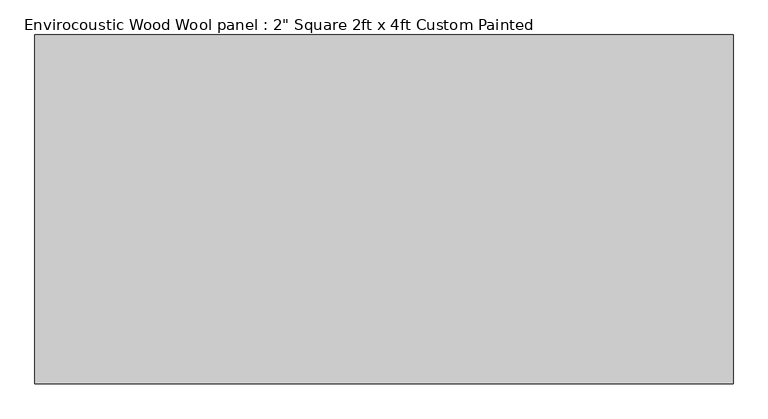
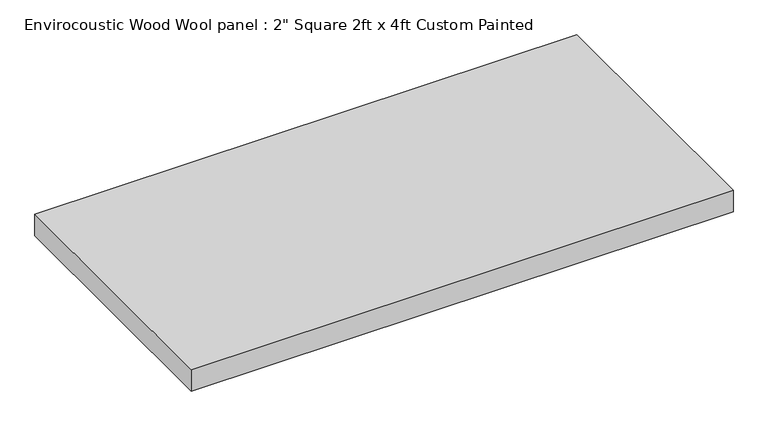
"""IFC4 building model written with IfcOpenShell, lengths in millimetres: proxy geometry."""

from ifc_helpers import new_model, si_unit, origin, origin_with_axes, place, context, project, spatial, polyline, outline, extrude, source, transform, mapped, element, save


def proxy_c6a48200(model_context):
    return source(origin(), model_context, "Body", "SweptSolid", [
        extrude(outline(polyline([(-609.6, 304.8), (609.6, 304.8), (609.6, -304.8), (-609.6, -304.8), (-609.6, 304.8)])), origin_with_axes(), (0.0, 0.0, 1.0), 50.8),
    ])


if __name__ == "__main__":
    model = new_model("IFC4")
    model_context = context("Model", 3, world=origin())
    ifc_project = project(units=[si_unit("LENGTHUNIT", "METRE", prefix="MILLI")], contexts=[model_context])
    site = spatial("IfcSite", under=ifc_project)
    building = spatial("IfcBuilding", under=site)
    placement = place(None, origin())
    proxy_shape = proxy_c6a48200(model_context)
    element("IfcBuildingElementProxy", 1, Name="Envirocoustic Wood Wool panel : 2\" Square 2ft x 4ft Custom Painted", ObjectType="Envirocoustic Wood Wool panel : 2\" Square 2ft x 4ft Custom Painted", at=placement, inside=building, context=model_context, shape_type="MappedRepresentation", body=[
        mapped(proxy_shape, transform((0.0, 0.0, 0.0), x_axis=(1.0, 0.0, 0.0), y_axis=(0.0, 1.0, 0.0), z_axis=(0.0, 0.0, 1.0))),
    ])
    save(model, "model.ifc")
